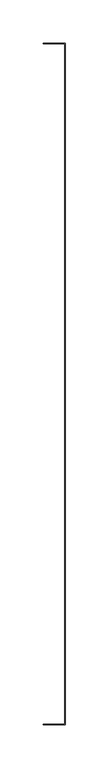
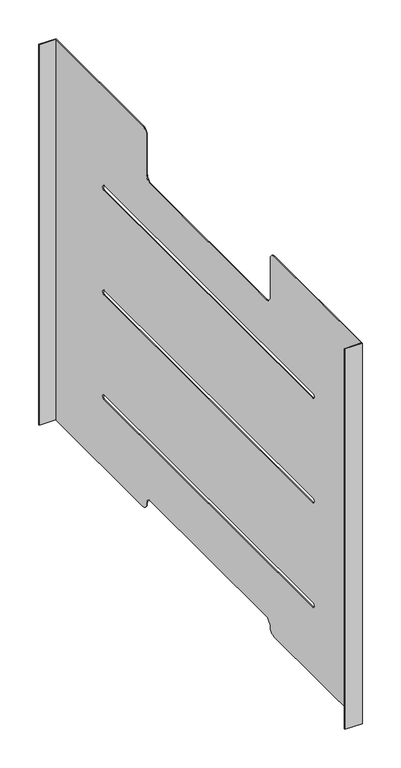
"""IFC4 building model written with IfcOpenShell, lengths in millimetres: furniture geometry."""

from ifc_helpers import new_model, si_unit, frame, origin, place, context, project, spatial, polyline, circle_curve, source, transform, mapped, element, save
from ifc_brep_helpers import plane_surface, cylinder_surface, revolved_surface, advanced_brep


def furniture_5cf6bdc3(model_context):
    return source(origin(), model_context, "Body", "AdvancedBrep", [
        advanced_brep(
        [(0.0, 396.0, 600.0), (0.0, 395.0, 600.0), (25.05, 395.0, 600.0), (25.05, 170.0, 600.0), (26.05, 170.0, 600.0), (26.05, 396.0, 600.0), (25.05, -395.0, 600.0), (0.0, -395.0, 600.0), (0.0, -396.0, 600.0), (26.05, -396.0, 600.0), (26.05, -170.0, 600.0), (25.05, -170.0, 600.0), (0.0, 396.0, 0.0), (26.05, 396.0, 0.0), (26.05, 170.0, 0.0), (25.05, 170.0, 0.0), (25.05, 395.0, 0.0), (0.0, 395.0, 0.0), (26.05, -396.0, 0.0), (0.0, -396.0, 0.0), (0.0, -395.0, 0.0), (25.05, -395.0, 0.0), (25.05, -170.0, 0.0), (26.05, -170.0, 0.0), (25.05, 160.0, 10.0), (25.05, 150.0, 20.0), (25.05, -150.0, 20.0), (25.05, -160.0, 10.0), (25.05, -160.0, 590.0), (25.05, -160.0, 530.0), (25.05, -150.0, 520.0), (25.05, 150.0, 520.0), (25.05, 160.0, 530.0), (25.05, 160.0, 590.0), (25.05, 270.0, 444.5), (25.05, -270.0, 444.5), (25.05, -270.0, 437.5), (25.05, 270.0, 437.5), (25.05, 270.0, 279.5), (25.05, -270.0, 279.5), (25.05, -270.0, 272.5), (25.05, 270.0, 272.5), (25.05, 270.0, 114.5), (25.05, -270.0, 114.5), (25.05, -270.0, 107.5), (25.05, 270.0, 107.5), (26.05, -160.0, 10.0), (26.05, -150.0, 20.0), (26.05, 150.0, 20.0), (26.05, 160.0, 10.0), (26.05, 160.0, 590.0), (26.05, 160.0, 530.0), (26.05, 150.0, 520.0), (26.05, -150.0, 520.0), (26.05, -160.0, 530.0), (26.05, -160.0, 590.0), (26.05, -270.0, 444.5), (26.05, 270.0, 444.5), (26.05, 270.0, 437.5), (26.05, -270.0, 437.5), (26.05, -270.0, 279.5), (26.05, 270.0, 279.5), (26.05, 270.0, 272.5), (26.05, -270.0, 272.5), (26.05, -270.0, 114.5), (26.05, 270.0, 114.5), (26.05, 270.0, 107.5), (26.05, -270.0, 107.5)],
        [
            (0, 1),
            (1, 2),
            (2, 3),
            (3, 4),
            (4, 5),
            (5, 0),
            (6, 7),
            (7, 8),
            (8, 9),
            (9, 10),
            (10, 11),
            (11, 6),
            (12, 13),
            (13, 14),
            (14, 15),
            (15, 16),
            (16, 17),
            (17, 12),
            (18, 19),
            (19, 20),
            (20, 21),
            (21, 22),
            (22, 23),
            (23, 18),
            (0, 12),
            (17, 1),
            (16, 2),
            (15, 24, circle_curve(frame((25.05, 170.0, 10.0), z_axis=(-1.0, 0.0, 0.0), x_axis=(0.0, 1.0, 0.0)), 10.0)),
            (24, 25, circle_curve(frame((25.05, 150.0, 10.0), z_axis=(1.0, 0.0, 0.0), x_axis=(0.0, 1.0, 0.0)), 10.0)),
            (25, 26),
            (26, 27, circle_curve(frame((25.05, -150.0, 10.0), z_axis=(1.0, 0.0, 0.0), x_axis=(0.0, 1.0, 0.0)), 10.0)),
            (27, 22, circle_curve(frame((25.05, -170.0, 10.0), z_axis=(-1.0, 0.0, 0.0), x_axis=(0.0, 1.0, 0.0)), 10.0)),
            (21, 6),
            (11, 28, circle_curve(frame((25.05, -170.0, 590.0), z_axis=(-1.0, 0.0, 0.0), x_axis=(0.0, 1.0, 0.0)), 10.0)),
            (28, 29),
            (29, 30, circle_curve(frame((25.05, -150.0, 530.0), z_axis=(1.0, 0.0, 0.0), x_axis=(0.0, 1.0, 0.0)), 10.0)),
            (30, 31),
            (31, 32, circle_curve(frame((25.05, 150.0, 530.0), z_axis=(1.0, 0.0, 0.0), x_axis=(0.0, 1.0, 0.0)), 10.0)),
            (32, 33),
            (33, 3, circle_curve(frame((25.05, 170.0, 590.0), z_axis=(-1.0, 0.0, 0.0), x_axis=(0.0, 1.0, 0.0)), 10.0)),
            (34, 35),
            (35, 36, circle_curve(frame((25.05, -270.0, 441.0), z_axis=(1.0, 0.0, 0.0), x_axis=(0.0, 1.0, 0.0)), 3.5)),
            (36, 37),
            (37, 34, circle_curve(frame((25.05, 270.0, 441.0), z_axis=(1.0, 0.0, 0.0), x_axis=(0.0, 1.0, 0.0)), 3.5)),
            (38, 39),
            (39, 40, circle_curve(frame((25.05, -270.0, 276.0), z_axis=(1.0, 0.0, 0.0), x_axis=(0.0, 1.0, 0.0)), 3.5)),
            (40, 41),
            (41, 38, circle_curve(frame((25.05, 270.0, 276.0), z_axis=(1.0, 0.0, 0.0), x_axis=(0.0, 1.0, 0.0)), 3.5)),
            (42, 43),
            (43, 44, circle_curve(frame((25.05, -270.0, 111.0), z_axis=(1.0, 0.0, 0.0), x_axis=(0.0, 1.0, 0.0)), 3.5)),
            (44, 45),
            (45, 42, circle_curve(frame((25.05, 270.0, 111.0), z_axis=(1.0, 0.0, 0.0), x_axis=(0.0, 1.0, 0.0)), 3.5)),
            (20, 7),
            (19, 8),
            (18, 9),
            (23, 46, circle_curve(frame((26.05, -170.0, 10.0), z_axis=(1.0, 0.0, 0.0), x_axis=(0.0, 1.0, 0.0)), 10.0)),
            (46, 47, circle_curve(frame((26.05, -150.0, 10.0), z_axis=(-1.0, 0.0, 0.0), x_axis=(0.0, 1.0, 0.0)), 10.0)),
            (47, 48),
            (48, 49, circle_curve(frame((26.05, 150.0, 10.0), z_axis=(-1.0, 0.0, 0.0), x_axis=(0.0, 1.0, 0.0)), 10.0)),
            (49, 14, circle_curve(frame((26.05, 170.0, 10.0), z_axis=(1.0, 0.0, 0.0), x_axis=(0.0, 1.0, 0.0)), 10.0)),
            (13, 5),
            (4, 50, circle_curve(frame((26.05, 170.0, 590.0), z_axis=(1.0, 0.0, 0.0), x_axis=(0.0, 1.0, 0.0)), 10.0)),
            (50, 51),
            (51, 52, circle_curve(frame((26.05, 150.0, 530.0), z_axis=(-1.0, 0.0, 0.0), x_axis=(0.0, 1.0, 0.0)), 10.0)),
            (52, 53),
            (53, 54, circle_curve(frame((26.05, -150.0, 530.0), z_axis=(-1.0, 0.0, 0.0), x_axis=(0.0, 1.0, 0.0)), 10.0)),
            (54, 55),
            (55, 10, circle_curve(frame((26.05, -170.0, 590.0), z_axis=(1.0, 0.0, 0.0), x_axis=(0.0, 1.0, 0.0)), 10.0)),
            (56, 57),
            (57, 58, circle_curve(frame((26.05, 270.0, 441.0), z_axis=(-1.0, 0.0, 0.0), x_axis=(0.0, 1.0, 0.0)), 3.5)),
            (58, 59),
            (59, 56, circle_curve(frame((26.05, -270.0, 441.0), z_axis=(-1.0, 0.0, 0.0), x_axis=(0.0, 1.0, 0.0)), 3.5)),
            (60, 61),
            (61, 62, circle_curve(frame((26.05, 270.0, 276.0), z_axis=(-1.0, 0.0, 0.0), x_axis=(0.0, 1.0, 0.0)), 3.5)),
            (62, 63),
            (63, 60, circle_curve(frame((26.05, -270.0, 276.0), z_axis=(-1.0, 0.0, 0.0), x_axis=(0.0, 1.0, 0.0)), 3.5)),
            (64, 65),
            (65, 66, circle_curve(frame((26.05, 270.0, 111.0), z_axis=(-1.0, 0.0, 0.0), x_axis=(0.0, 1.0, 0.0)), 3.5)),
            (66, 67),
            (67, 64, circle_curve(frame((26.05, -270.0, 111.0), z_axis=(-1.0, 0.0, 0.0), x_axis=(0.0, 1.0, 0.0)), 3.5)),
            (29, 54),
            (53, 30),
            (52, 31),
            (51, 32),
            (50, 33),
            (55, 28),
            (24, 49),
            (48, 25),
            (47, 26),
            (46, 27),
            (34, 57),
            (56, 35),
            (59, 36),
            (58, 37),
            (38, 61),
            (60, 39),
            (63, 40),
            (62, 41),
            (42, 65),
            (64, 43),
            (67, 44),
            (66, 45),
        ],
        [
            plane_surface(frame((0.0, 395.0, 600.0), z_axis=(0.0, 0.0, 1.0), x_axis=(0.0, -1.0, 0.0))),
            plane_surface(frame((0.0, 395.0, 0.0), z_axis=(0.0, 0.0, -1.0), x_axis=(0.0, 1.0, 0.0))),
            plane_surface(frame((0.0, 396.0, 600.0), z_axis=(-1.0, 0.0, 0.0), x_axis=(0.0, 0.0, -1.0))),
            plane_surface(frame((0.0, 395.0, 600.0), z_axis=(0.0, -1.0, 0.0), x_axis=(0.0, 0.0, -1.0))),
            plane_surface(frame((25.05, 395.0, 600.0), z_axis=(-1.0, 0.0, 0.0), x_axis=(0.0, 0.0, -1.0))),
            plane_surface(frame((25.05, -395.0, 600.0), z_axis=(0.0, 1.0, 0.0), x_axis=(0.0, 0.0, -1.0))),
            plane_surface(frame((0.0, -395.0, 600.0), z_axis=(-1.0, 0.0, 0.0), x_axis=(0.0, 0.0, -1.0))),
            plane_surface(frame((0.0, -396.0, 600.0), z_axis=(0.0, -1.0, 0.0), x_axis=(0.0, 0.0, -1.0))),
            plane_surface(frame((26.05, -396.0, 600.0), z_axis=(1.0, 0.0, 0.0), x_axis=(0.0, 0.0, -1.0))),
            plane_surface(frame((26.05, 396.0, 600.0), z_axis=(0.0, 1.0, 0.0), x_axis=(0.0, 0.0, -1.0))),
            revolved_surface(polyline([(26.049999999999997, -140.0, 530.0), (25.049999999999997, -140.0, 530.0)]), (-50.0, -150.0, 530.0), (1.0, 0.0, 0.0)),
            plane_surface(frame((50.0, -150.0, 520.0), z_axis=(0.0, 0.0, 1.0), x_axis=(-1.0, 0.0, 0.0))),
            revolved_surface(polyline([(26.049999999999997, 160.0, 530.0), (25.049999999999997, 160.0, 530.0)]), (-50.0, 150.0, 530.0), (1.0, 0.0, 0.0)),
            plane_surface(frame((50.0, 160.0, 530.0), z_axis=(0.0, -1.0, 0.0), x_axis=(-1.0, 0.0, 0.0))),
            cylinder_surface(frame((-50.0, 170.0, 590.0), z_axis=(-1.0, 0.0, 0.0), x_axis=(0.0, 1.0, 0.0)), 10.0),
            cylinder_surface(frame((-50.0, -170.0, 590.0), z_axis=(-1.0, 0.0, 0.0), x_axis=(0.0, 1.0, 0.0)), 10.0),
            plane_surface(frame((50.0, -160.0, 590.0), z_axis=(0.0, 1.0, 0.0), x_axis=(-1.0, 0.0, 0.0))),
            revolved_surface(polyline([(26.05, 160.0, 10.0), (25.05, 160.0, 10.0)]), (0.0, 150.0, 10.0), (1.0, 0.0, 0.0)),
            plane_surface(frame((50.0, 150.0, 20.0), z_axis=(0.0, 0.0, -1.0), x_axis=(-1.0, 0.0, 0.0))),
            revolved_surface(polyline([(26.05, -140.0, 10.0), (25.05, -140.0, 10.0)]), (0.0, -150.0, 10.0), (1.0, 0.0, 0.0)),
            cylinder_surface(frame((0.0, -170.0, 10.0), z_axis=(-1.0, 0.0, 0.0), x_axis=(0.0, 1.0, 0.0)), 10.0),
            cylinder_surface(frame((0.0, 170.0, 10.0), z_axis=(-1.0, 0.0, 0.0), x_axis=(0.0, 1.0, 0.0)), 10.0),
            plane_surface(frame((50.0, 270.0, 444.5), z_axis=(0.0, 0.0, -1.0), x_axis=(-1.0, 0.0, 0.0))),
            revolved_surface(polyline([(26.05, -266.5, 441.0), (25.05, -266.5, 441.0)]), (0.0, -270.0, 441.0), (1.0, 0.0, 0.0)),
            plane_surface(frame((50.0, -270.0, 437.5), z_axis=(0.0, 0.0, 1.0), x_axis=(-1.0, 0.0, 0.0))),
            revolved_surface(polyline([(26.05, 273.5, 441.0), (25.05, 273.5, 441.0)]), (0.0, 270.0, 441.0), (1.0, 0.0, 0.0)),
            plane_surface(frame((50.0, 270.0, 279.5), z_axis=(0.0, 0.0, -1.0), x_axis=(-1.0, 0.0, 0.0))),
            revolved_surface(polyline([(26.05, -266.5, 276.0), (25.05, -266.5, 276.0)]), (0.0, -270.0, 276.0), (1.0, 0.0, 0.0)),
            plane_surface(frame((50.0, -270.0, 272.5), z_axis=(0.0, 0.0, 1.0), x_axis=(-1.0, 0.0, 0.0))),
            revolved_surface(polyline([(26.05, 273.5, 276.0), (25.05, 273.5, 276.0)]), (0.0, 270.0, 276.0), (1.0, 0.0, 0.0)),
            plane_surface(frame((50.0, 270.0, 114.5), z_axis=(0.0, 0.0, -1.0), x_axis=(-1.0, 0.0, 0.0))),
            revolved_surface(polyline([(26.05, -266.5, 111.0), (25.05, -266.5, 111.0)]), (0.0, -270.0, 111.0), (1.0, 0.0, 0.0)),
            plane_surface(frame((50.0, -270.0, 107.5), z_axis=(0.0, 0.0, 1.0), x_axis=(-1.0, 0.0, 0.0))),
            revolved_surface(polyline([(26.05, 273.5, 111.0), (25.05, 273.5, 111.0)]), (0.0, 270.0, 111.0), (1.0, 0.0, 0.0)),
        ],
        [
            (0, [[1, 2, 3, 4, 5, 6]]),
            (0, [[7, 8, 9, 10, 11, 12]]),
            (1, [[13, 14, 15, 16, 17, 18]]),
            (1, [[19, 20, 21, 22, 23, 24]]),
            (2, [[-1, 25, -18, 26]]),
            (3, [[-2, -26, -17, 27]]),
            (4, [[-27, -16, 28, 29, 30, 31, 32, -22, 33, -12, 34, 35, 36, 37, 38, 39, 40, -3], [41, 42, 43, 44], [45, 46, 47, 48], [49, 50, 51, 52]]),
            (5, [[-7, -33, -21, 53]]),
            (6, [[-8, -53, -20, 54]]),
            (7, [[-9, -54, -19, 55]]),
            (8, [[-55, -24, 56, 57, 58, 59, 60, -14, 61, -5, 62, 63, 64, 65, 66, 67, 68, -10], [69, 70, 71, 72], [73, 74, 75, 76], [77, 78, 79, 80]]),
            (9, [[-6, -61, -13, -25]]),
            (10, [[81, -66, 82, -36]]),
            (11, [[-82, -65, 83, -37]]),
            (12, [[-83, -64, 84, -38]]),
            (13, [[-84, -63, 85, -39]]),
            (14, [[-85, -62, -4, -40]]),
            (15, [[86, -34, -11, -68]]),
            (16, [[-81, -35, -86, -67]]),
            (17, [[87, -59, 88, -29]]),
            (18, [[-88, -58, 89, -30]]),
            (19, [[-89, -57, 90, -31]]),
            (20, [[-90, -56, -23, -32]]),
            (21, [[-87, -28, -15, -60]]),
            (22, [[91, -69, 92, -41]]),
            (23, [[-92, -72, 93, -42]]),
            (24, [[-93, -71, 94, -43]]),
            (25, [[-91, -44, -94, -70]]),
            (26, [[95, -73, 96, -45]]),
            (27, [[-96, -76, 97, -46]]),
            (28, [[-97, -75, 98, -47]]),
            (29, [[-95, -48, -98, -74]]),
            (30, [[99, -77, 100, -49]]),
            (31, [[-100, -80, 101, -50]]),
            (32, [[-101, -79, 102, -51]]),
            (33, [[-99, -52, -102, -78]]),
        ],
    ),
    ])


if __name__ == "__main__":
    model = new_model("IFC4")
    model_context = context("Model", 3, world=origin())
    ifc_project = project(units=[si_unit("LENGTHUNIT", "METRE", prefix="MILLI")], contexts=[model_context])
    site = spatial("IfcSite", under=ifc_project)
    building = spatial("IfcBuilding", under=site)
    placement = place(None, origin())
    furniture_shape = furniture_5cf6bdc3(model_context)
    element("IfcFurniture", 1, at=placement, inside=building, context=model_context, shape_type="MappedRepresentation", body=[
        mapped(furniture_shape, transform((0.0, 0.0, 0.0), x_axis=(1.0, 0.0, 0.0), y_axis=(0.0, 1.0, 0.0), z_axis=(0.0, 0.0, 1.0))),
    ])
    save(model, "model.ifc")
